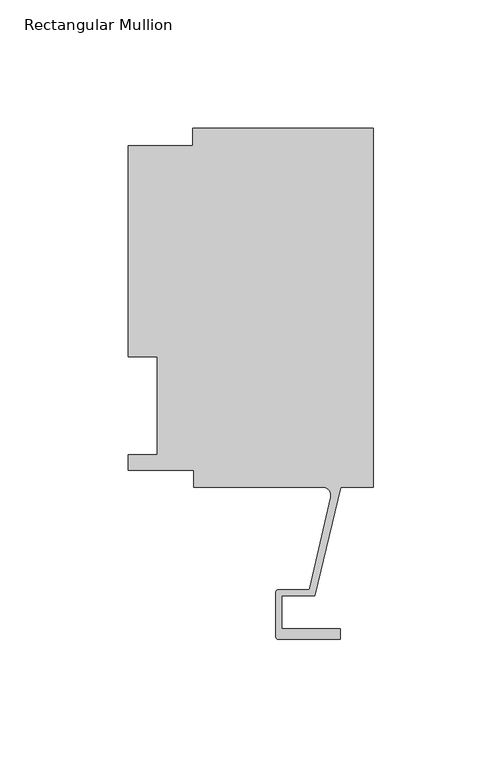
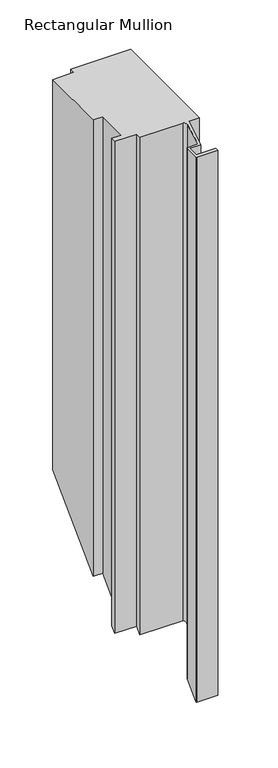
"""IFC4 building model written with IfcOpenShell, lengths in millimetres: member geometry, Rectangular Mullion."""

from ifc_helpers import new_model, si_unit, frame, origin, place, context, project, spatial, polyline, circle_curve, ellipse_curve, source, transform, mapped, element, save
from ifc_brep_helpers import plane_surface, cylinder_surface, revolved_surface, advanced_brep


def rectangular_mullion_48e16aa8(model_context):
    return source(origin(), model_context, "Body", "AdvancedBrep", [
        advanced_brep(
        [(-70.3072, 133.3497673, 0.0), (-70.3072, 126.6189003, 0.0), (-95.25, 126.6189003, 0.0), (-95.25, 44.45, 0.0), (-84.1375, 44.45, 0.0), (-84.1375, 6.35, 0.0), (-95.25, 6.35, 0.0), (-95.25, 0.4063003, 0.0), (-69.85, 0.4063003, 0.0), (-69.85, -6.2261976, 0.0), (-19.681515, -6.2261976, 0.0), (-16.585275, -10.1039944, 0.0), (-24.6514289, -45.6402261, 0.0), (-25.3893173, -46.2120559, 0.0), (-37.0958677, -46.2120559, 0.0), (-37.8578677, -46.9740559, 0.0), (-37.8578677, -64.6066974, 0.0), (-37.0704677, -65.3940974, 0.0), (-12.7611926, -65.3940974, 0.0), (-12.7611926, -61.4062974, 0.0), (-35.5718677, -61.4062974, 0.0), (-35.5718677, -48.4980559, 0.0), (-22.7594087, -48.4980559, 0.0), (-12.7, -6.2261964, 0.0), (0.0, -6.2261964, 0.0), (0.0, 133.3497673, 0.0), (0.0, 133.3497673, -476.2502327), (-70.3072, 133.3497673, -476.2502327), (-70.3072, 126.6189003, -482.9810997), (-95.25, 126.6189003, -482.9810997), (-95.25, 44.45, -565.15), (-84.1375, 44.45, -565.15), (-84.1375, 6.35, -603.25), (-95.25, 6.35, -603.25), (-95.25, 0.4063003, -609.1936997), (-69.85, 0.4063003, -609.1936997), (-69.85, -6.2261976, -615.8261976), (-19.681515, -6.2261976, -615.8261976), (-16.585275, -10.1039944, -619.7039944), (-24.6514289, -45.6402261, -655.2402261), (-25.3893173, -46.2120559, -655.8120559), (-37.0958677, -46.2120559, -655.8120559), (-37.8578677, -46.9740559, -656.5740559), (-37.8578677, -64.6066974, -674.2066974), (-37.0704677, -65.3940974, -674.9940974), (-12.7611926, -65.3940974, -674.9940974), (-12.7611926, -61.4062974, -671.0062974), (-35.5718677, -61.4062974, -671.0062974), (-35.5718677, -48.4980559, -658.0980559), (-22.7594087, -48.4980559, -658.0980559), (-12.7, -6.2261964, -615.8261964), (0.0, -6.2261964, -615.8261964)],
        [
            (0, 1),
            (1, 2),
            (2, 3),
            (3, 4),
            (4, 5),
            (5, 6),
            (6, 7),
            (7, 8),
            (8, 9),
            (9, 10),
            (10, 11, circle_curve(frame((-19.681515, -9.4011976, 0.0), z_axis=(0.0, 0.0, -1.0), x_axis=(0.0, 1.0, 0.0)), 3.175)),
            (11, 12),
            (12, 13, circle_curve(frame((-25.3679884, -45.4775786, 0.0), z_axis=(0.0, 0.0, -1.0), x_axis=(0.0, 1.0, 0.0)), 0.7347869)),
            (13, 14),
            (14, 15, circle_curve(frame((-37.0958677, -46.9740559, 0.0), z_axis=(0.0, 0.0, 1.0), x_axis=(0.0, 1.0, 0.0)), 0.762)),
            (15, 16),
            (16, 17, circle_curve(frame((-37.0704677, -64.6066974, 0.0), z_axis=(0.0, 0.0, 1.0), x_axis=(0.0, 1.0, 0.0)), 0.7874)),
            (17, 18),
            (18, 19),
            (19, 20),
            (20, 21),
            (21, 22),
            (22, 23),
            (23, 24),
            (24, 25),
            (25, 0),
            (25, 26),
            (26, 27),
            (27, 0),
            (27, 28),
            (28, 1),
            (28, 29),
            (29, 2),
            (29, 30),
            (30, 3),
            (30, 31),
            (31, 4),
            (31, 32),
            (32, 5),
            (32, 33),
            (33, 6),
            (33, 34),
            (34, 7),
            (34, 35),
            (35, 8),
            (35, 36),
            (36, 9),
            (36, 37),
            (37, 10),
            (37, 38, ellipse_curve(frame((-19.681515, -9.4011976, -619.0011976), z_axis=(0.0, 0.7071067811865479, -0.7071067811865471), x_axis=(0.0, -0.7071067811865471, -0.7071067811865479)), 4.4901281, 3.175)),
            (38, 11),
            (38, 39),
            (39, 12),
            (39, 40, ellipse_curve(frame((-25.3679884, -45.4775786, -655.0775786), z_axis=(0.0, 0.7071067811865479, -0.7071067811865471), x_axis=(0.0, -0.7071067811865471, -0.7071067811865479)), 1.0391456, 0.7347869)),
            (40, 13),
            (40, 41),
            (41, 14),
            (41, 42, ellipse_curve(frame((-37.0958677, -46.9740559, -656.5740559), z_axis=(0.0, -0.7071067811865479, 0.7071067811865471), x_axis=(0.0, 0.7071067811865471, 0.7071067811865479)), 1.0776307, 0.762)),
            (42, 15),
            (42, 43),
            (43, 16),
            (43, 44, ellipse_curve(frame((-37.0704677, -64.6066974, -674.2066974), z_axis=(0.0, -0.7071067811865479, 0.7071067811865471), x_axis=(0.0, 0.7071067811865471, 0.7071067811865479)), 1.1135518, 0.7874)),
            (44, 17),
            (44, 45),
            (45, 18),
            (45, 46),
            (46, 19),
            (46, 47),
            (47, 20),
            (47, 48),
            (48, 21),
            (48, 49),
            (49, 22),
            (49, 50),
            (50, 23),
            (50, 51),
            (51, 24),
            (51, 26),
        ],
        [
            plane_surface(frame((0.0, -158.4452852, 0.0), z_axis=(0.0, 0.0, 1.0), x_axis=(-1.0, 0.0, 0.0))),
            plane_surface(frame((0.0, 133.3497673, 0.0), z_axis=(0.0, 1.0, 0.0), x_axis=(0.0, 0.0, -1.0))),
            plane_surface(frame((-70.3072, 133.3497673, 0.0), z_axis=(-1.0, 0.0, 0.0), x_axis=(0.0, 0.0, -1.0))),
            plane_surface(frame((-70.3072, 126.6189003, 0.0), z_axis=(0.0, 1.0, 0.0), x_axis=(0.0, 0.0, -1.0))),
            plane_surface(frame((-95.25, 126.6189003, 0.0), z_axis=(-1.0, 0.0, 0.0), x_axis=(0.0, 0.0, -1.0))),
            plane_surface(frame((-95.25, 44.45, 0.0), z_axis=(0.0, -1.0, 0.0), x_axis=(0.0, 0.0, -1.0))),
            plane_surface(frame((-84.1375, 44.45, 0.0), z_axis=(-1.0, 0.0, 0.0), x_axis=(0.0, 0.0, -1.0))),
            plane_surface(frame((-84.1375, 6.35, 0.0), z_axis=(0.0, 1.0, 0.0), x_axis=(0.0, 0.0, -1.0))),
            plane_surface(frame((-95.25, 6.35, 0.0), z_axis=(-1.0, 0.0, 0.0), x_axis=(0.0, 0.0, -1.0))),
            plane_surface(frame((-95.25, 0.4063003, 0.0), z_axis=(0.0, -1.0, 0.0), x_axis=(0.0, 0.0, -1.0))),
            plane_surface(frame((-69.85, 0.4063003, 0.0), z_axis=(-1.0, 0.0, 0.0), x_axis=(0.0, 0.0, -1.0))),
            plane_surface(frame((-69.85, -6.2261976, 0.0), z_axis=(0.0, -1.0, 0.0), x_axis=(0.0, 0.0, -1.0))),
            revolved_surface(polyline([(-19.681515, -6.2261976, -622.1761976279063), (-19.681515, -6.2261976, 0.0)]), (-19.681515, -9.4011976, 0.0), (0.0, 0.0, -1.0)),
            plane_surface(frame((-16.585275, -10.1039944, 0.0), z_axis=(-0.9751936808086197, 0.2213533033657647, 0.0), x_axis=(0.0, 0.0, -1.0))),
            revolved_surface(polyline([(-25.3679884, -44.7427917, -655.8123655004002), (-25.3679884, -44.7427917, 0.0)]), (-25.3679884, -45.4775786, 0.0), (0.0, 0.0, -1.0)),
            plane_surface(frame((-25.3893173, -46.2120559, 0.0), z_axis=(0.0, 1.0, 0.0), x_axis=(0.0, 0.0, -1.0))),
            cylinder_surface(frame((-37.0958677, -46.9740559, 0.0), z_axis=(0.0, 0.0, 1.0), x_axis=(0.0, 1.0, 0.0)), 0.762),
            plane_surface(frame((-37.8578677, -46.9740559, 0.0), z_axis=(-1.0, 0.0, 0.0), x_axis=(0.0, 0.0, -1.0))),
            cylinder_surface(frame((-37.0704677, -64.6066974, 0.0), z_axis=(0.0, 0.0, 1.0), x_axis=(0.0, 1.0, 0.0)), 0.7874),
            plane_surface(frame((-37.0704677, -65.3940974, 0.0), z_axis=(0.0, -1.0, 0.0), x_axis=(0.0, 0.0, -1.0))),
            plane_surface(frame((-12.7611926, -65.3940974, 0.0), z_axis=(1.0, 0.0, 0.0), x_axis=(0.0, 0.0, -1.0))),
            plane_surface(frame((-12.7611926, -61.4062974, 0.0), z_axis=(0.0, 1.0, 0.0), x_axis=(0.0, 0.0, -1.0))),
            plane_surface(frame((-35.5718677, -61.4062974, 0.0), z_axis=(1.0, 0.0, 0.0), x_axis=(0.0, 0.0, -1.0))),
            plane_surface(frame((-35.5718677, -48.4980559, 0.0), z_axis=(0.0, -1.0, 0.0), x_axis=(0.0, 0.0, -1.0))),
            plane_surface(frame((-22.7594087, -48.4980559, 0.0), z_axis=(0.9728337932070832, -0.23150466689533117, 0.0), x_axis=(0.0, 0.0, -1.0))),
            plane_surface(frame((-12.7, -6.2261964, 0.0), z_axis=(0.0, -1.0, 0.0), x_axis=(0.0, 0.0, -1.0))),
            plane_surface(frame((0.0, -6.2261964, 0.0), z_axis=(1.0, 0.0, 0.0), x_axis=(0.0, 0.0, -1.0))),
            plane_surface(frame((-304.8, 0.0, -609.6), z_axis=(0.0, 0.7071067811865479, -0.7071067811865471), x_axis=(0.0, 0.7071067811865471, 0.7071067811865479))),
        ],
        [
            (0, [[1, 2, 3, 4, 5, 6, 7, 8, 9, 10, 11, 12, 13, 14, 15, 16, 17, 18, 19, 20, 21, 22, 23, 24, 25, 26]]),
            (1, [[-26, 27, 28, 29]]),
            (2, [[-1, -29, 30, 31]]),
            (3, [[-2, -31, 32, 33]]),
            (4, [[-3, -33, 34, 35]]),
            (5, [[-4, -35, 36, 37]]),
            (6, [[-5, -37, 38, 39]]),
            (7, [[-6, -39, 40, 41]]),
            (8, [[-7, -41, 42, 43]]),
            (9, [[-8, -43, 44, 45]]),
            (10, [[-9, -45, 46, 47]]),
            (11, [[-10, -47, 48, 49]]),
            (12, [[-11, -49, 50, 51]]),
            (13, [[-12, -51, 52, 53]]),
            (14, [[-13, -53, 54, 55]]),
            (15, [[-14, -55, 56, 57]]),
            (16, [[-15, -57, 58, 59]]),
            (17, [[-16, -59, 60, 61]]),
            (18, [[-17, -61, 62, 63]]),
            (19, [[-18, -63, 64, 65]]),
            (20, [[-19, -65, 66, 67]]),
            (21, [[-20, -67, 68, 69]]),
            (22, [[-21, -69, 70, 71]]),
            (23, [[-22, -71, 72, 73]]),
            (24, [[-23, -73, 74, 75]]),
            (25, [[-24, -75, 76, 77]]),
            (26, [[-25, -77, 78, -27]]),
            (27, [[-28, -78, -76, -74, -72, -70, -68, -66, -64, -62, -60, -58, -56, -54, -52, -50, -48, -46, -44, -42, -40, -38, -36, -34, -32, -30]]),
        ],
    ),
    ])


if __name__ == "__main__":
    model = new_model("IFC4")
    model_context = context("Model", 3, world=origin())
    ifc_project = project(units=[si_unit("LENGTHUNIT", "METRE", prefix="MILLI")], contexts=[model_context])
    site = spatial("IfcSite", under=ifc_project)
    building = spatial("IfcBuilding", under=site)
    placement = place(None, origin())
    rectangular_mullion_shape = rectangular_mullion_48e16aa8(model_context)
    element("IfcMember", 1, ObjectType="Rectangular Mullion", at=placement, inside=building, context=model_context, shape_type="MappedRepresentation", body=[
        mapped(rectangular_mullion_shape, transform((0.0, 0.0, 0.0), x_axis=(1.0, 0.0, 0.0), y_axis=(0.0, 1.0, 0.0), z_axis=(0.0, 0.0, 1.0))),
    ])
    save(model, "model.ifc")
